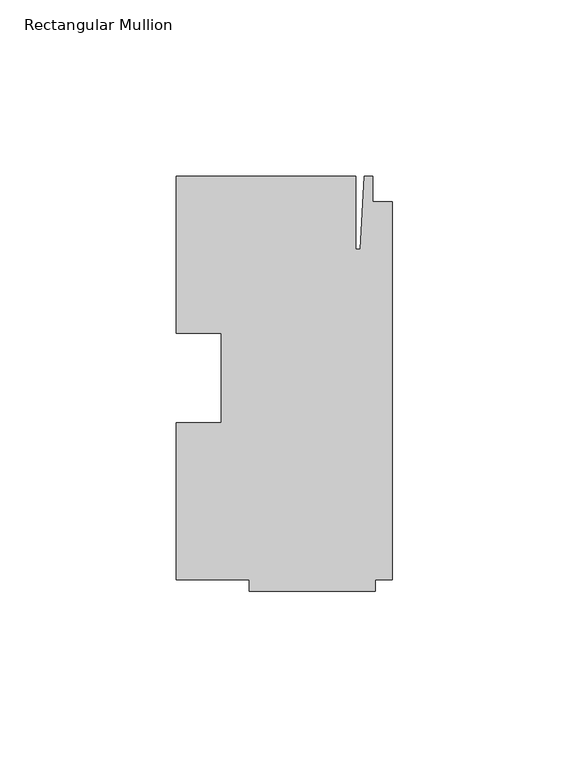
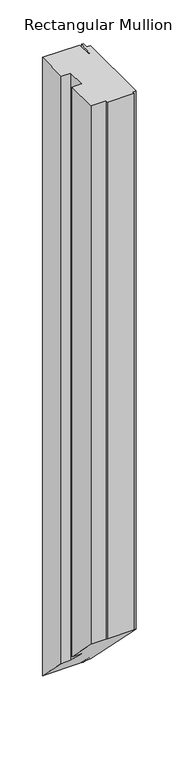
"""IFC4 building model written with IfcOpenShell, lengths in millimetres: member geometry, Rectangular Mullion."""

from ifc_helpers import new_model, si_unit, origin, place, context, project, spatial, faceted_brep, source, transform, mapped, element, save


def rectangular_mullion_0b29d0c4(model_context):
    return source(origin(), model_context, "Body", "Brep", [
        faceted_brep([(-48.41875, -12.7, 0.0), (-61.11875, -12.7, 0.0), (-61.11875, -57.15, 0.0), (-40.48125, -57.15, 0.0), (-40.48125, -60.325, 0.0), (-4.7625, -60.325, 0.0), (-4.7625, -57.15, 0.0), (0.0, -57.15, 0.0), (0.0, 50.00625, 0.0), (-5.55625, 50.00625, 0.0), (-5.55625, 57.15, 0.0), (-7.9375, 57.15, 0.0), (-9.0190655, 36.5125, 0.0), (-10.31875, 36.5125, 0.0), (-10.31875, 57.15, 0.0), (-61.11875, 57.15, 0.0), (-61.11875, 12.7, 0.0), (-48.41875, 12.7, 0.0), (-48.41875, -12.7, -817.0333333), (-61.11875, -12.7, -817.0333333), (-61.11875, -57.15, -772.5833333), (-40.48125, -57.15, -772.5833333), (-40.48125, -60.325, -769.4083333), (-4.7625, -60.325, -769.4083333), (-4.7625, -57.15, -772.5833333), (0.0, -57.15, -772.5833333), (0.0, 50.00625, -879.7395833), (-5.55625, 50.00625, -879.7395833), (-5.55625, 57.15, -886.8833333), (-7.9375, 57.15, -886.8833333), (-9.0190655, 36.5125, -866.2458333), (-10.31875, 36.5125, -866.2458333), (-10.31875, 57.15, -886.8833333), (-61.11875, 57.15, -886.8833333), (-61.11875, 12.7, -842.4333333), (-48.41875, 12.7, -842.4333333)], [[[0, 1, 2, 3, 4, 5, 6, 7, 8, 9, 10, 11, 12, 13, 14, 15, 16, 17]], [[1, 0, 18, 19]], [[2, 1, 19, 20]], [[3, 2, 20, 21]], [[4, 3, 21, 22]], [[5, 4, 22, 23]], [[6, 5, 23, 24]], [[7, 6, 24, 25]], [[8, 7, 25, 26]], [[9, 8, 26, 27]], [[10, 9, 27, 28]], [[11, 10, 28, 29]], [[12, 11, 29, 30]], [[13, 12, 30, 31]], [[14, 13, 31, 32]], [[15, 14, 32, 33]], [[16, 15, 33, 34]], [[17, 16, 34, 35]], [[0, 17, 35, 18]], [[18, 35, 34, 33, 32, 31, 30, 29, 28, 27, 26, 25, 24, 23, 22, 21, 20, 19]]]),
    ])


if __name__ == "__main__":
    model = new_model("IFC4")
    model_context = context("Model", 3, world=origin())
    ifc_project = project(units=[si_unit("LENGTHUNIT", "METRE", prefix="MILLI")], contexts=[model_context])
    site = spatial("IfcSite", under=ifc_project)
    building = spatial("IfcBuilding", under=site)
    placement = place(None, origin())
    rectangular_mullion_shape = rectangular_mullion_0b29d0c4(model_context)
    element("IfcMember", 1, ObjectType="Rectangular Mullion", at=placement, inside=building, context=model_context, shape_type="MappedRepresentation", body=[
        mapped(rectangular_mullion_shape, transform((0.0, 0.0, 0.0), x_axis=(1.0, 0.0, 0.0), y_axis=(0.0, 1.0, 0.0), z_axis=(0.0, 0.0, 1.0))),
    ])
    save(model, "model.ifc")
